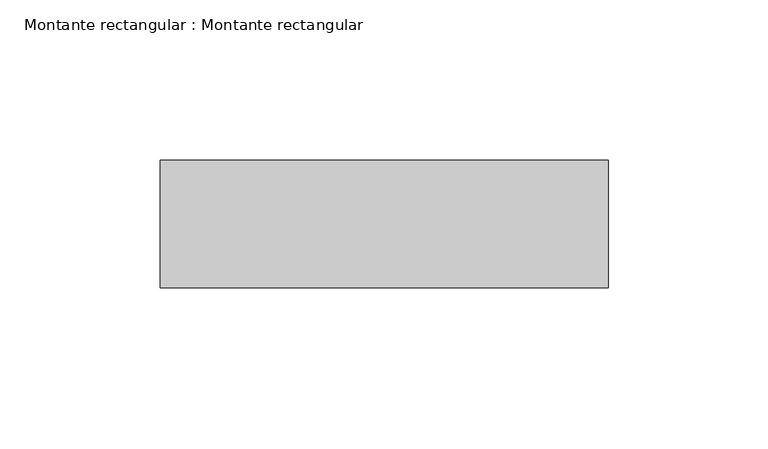
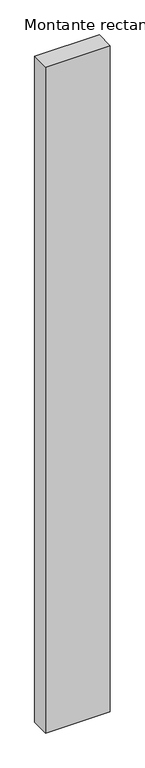
"""IFC4 building model written with IfcOpenShell, lengths in millimetres: member geometry, Montante rectangular : Montante rectangular."""

from ifc_helpers import new_model, si_unit, frame, origin, place, context, project, spatial, polyline, outline, extrude, source, transform, mapped, element, save


def montante_rectangular_montante_rectangular_8b774fb8(model_context):
    return source(origin(), model_context, "Body", "SweptSolid", [
        extrude(outline(polyline([(0.0, -4.614603), (0.0, -44.614603), (-140.0, -44.614603), (-140.0, -4.614603), (0.0, -4.614603)])), frame((0.0, 0.0, -1519.9740771), z_axis=(0.0, 0.0, 1.0), x_axis=(1.0, 0.0, 0.0)), (0.0, 0.0, 1.0), 1519.9740771),
    ])


if __name__ == "__main__":
    model = new_model("IFC4")
    model_context = context("Model", 3, world=origin())
    ifc_project = project(units=[si_unit("LENGTHUNIT", "METRE", prefix="MILLI")], contexts=[model_context])
    site = spatial("IfcSite", under=ifc_project)
    building = spatial("IfcBuilding", under=site)
    placement = place(None, origin())
    montante_rectangular_montante_rectangular_shape = montante_rectangular_montante_rectangular_8b774fb8(model_context)
    element("IfcMember", 1, ObjectType="Montante rectangular : Montante rectangular", at=placement, inside=building, context=model_context, shape_type="MappedRepresentation", body=[
        mapped(montante_rectangular_montante_rectangular_shape, transform((0.0, 0.0, 0.0), x_axis=(1.0, 0.0, 0.0), y_axis=(0.0, 1.0, 0.0), z_axis=(0.0, 0.0, 1.0))),
    ])
    save(model, "model.ifc")
